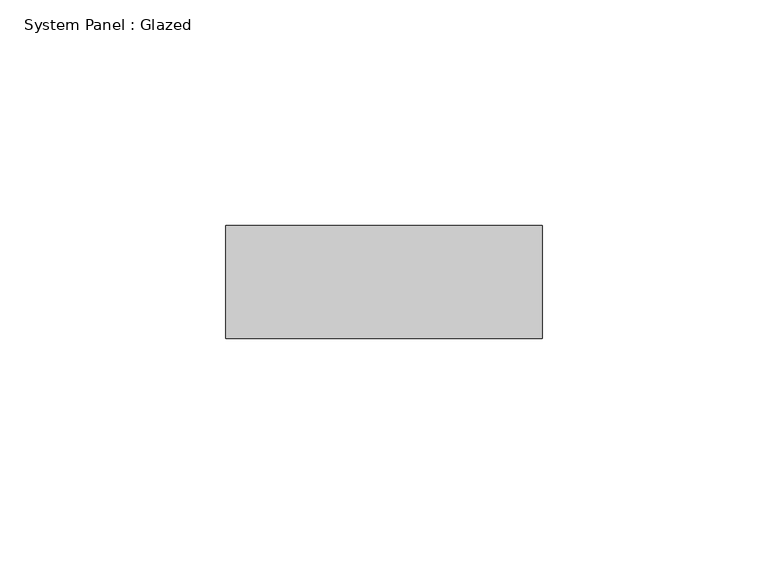
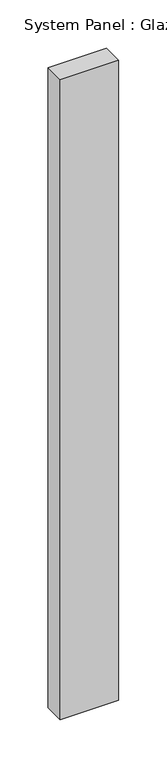
"""IFC4 building model written with IfcOpenShell, lengths in millimetres: plate geometry, System Panel : Glazed."""

from ifc_helpers import new_model, si_unit, origin, origin_with_axes, place, context, project, spatial, polyline, outline, extrude, source, transform, mapped, element, save


def system_panel_glazed_bf7fbdcc(model_context):
    return source(origin(), model_context, "Body", "SweptSolid", [
        extrude(outline(polyline([(35.0, -49.5), (-35.0, -49.5), (-35.0, -24.5), (35.0, -24.5), (35.0, -49.5)])), origin_with_axes(), (0.0, 0.0, 1.0), 810.0),
    ])


if __name__ == "__main__":
    model = new_model("IFC4")
    model_context = context("Model", 3, world=origin())
    ifc_project = project(units=[si_unit("LENGTHUNIT", "METRE", prefix="MILLI")], contexts=[model_context])
    site = spatial("IfcSite", under=ifc_project)
    building = spatial("IfcBuilding", under=site)
    placement = place(None, origin())
    system_panel_glazed_shape = system_panel_glazed_bf7fbdcc(model_context)
    element("IfcPlate", 1, ObjectType="System Panel : Glazed", at=placement, inside=building, context=model_context, shape_type="MappedRepresentation", body=[
        mapped(system_panel_glazed_shape, transform((0.0, 0.0, 0.0), x_axis=(1.0, 0.0, 0.0), y_axis=(0.0, 1.0, 0.0), z_axis=(0.0, 0.0, 1.0))),
    ])
    save(model, "model.ifc")
